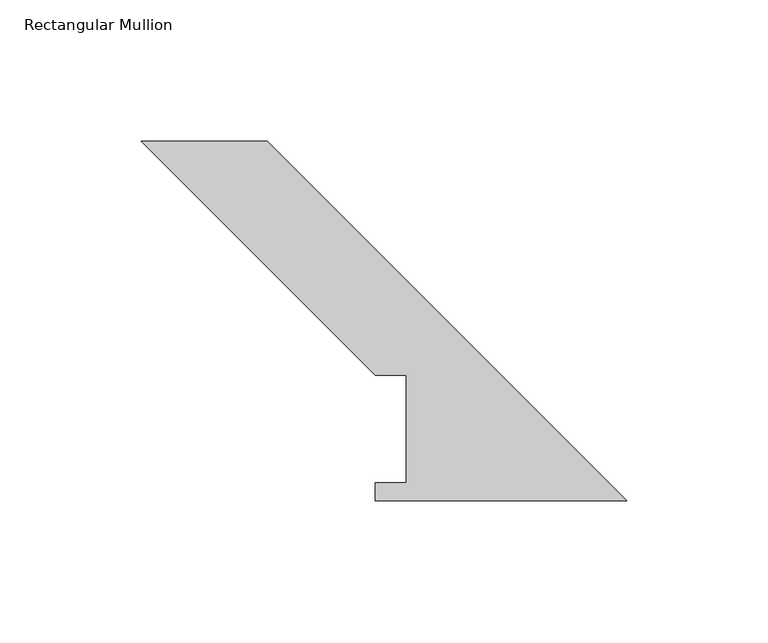
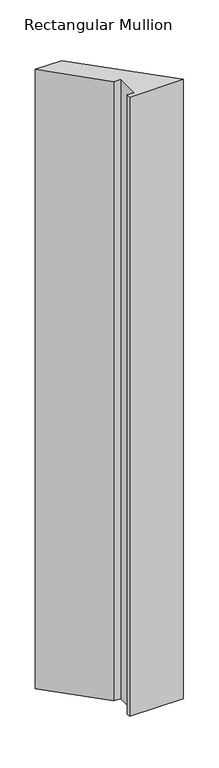
"""IFC4 building model written with IfcOpenShell, lengths in millimetres: member geometry, Rectangular Mullion."""

from ifc_helpers import new_model, si_unit, frame, origin, place, context, project, spatial, polyline, outline, extrude, source, transform, mapped, element, save


def rectangular_mullion_33a7ad3e(model_context):
    return source(origin(), model_context, "Body", "SweptSolid", [
        extrude(outline(polyline([(-171.45, 127.0), (-127.0, 127.0), (0.0, 0.0), (-88.9, 0.0), (-88.9, 6.35), (-77.7875, 6.35), (-77.7875, 44.45), (-88.9, 44.45), (-171.45, 127.0)])), frame((0.0, 0.0, -1079.5), z_axis=(0.0, 0.0, 1.0), x_axis=(1.0, 0.0, 0.0)), (0.0, 0.0, 1.0), 1079.5),
    ])


if __name__ == "__main__":
    model = new_model("IFC4")
    model_context = context("Model", 3, world=origin())
    ifc_project = project(units=[si_unit("LENGTHUNIT", "METRE", prefix="MILLI")], contexts=[model_context])
    site = spatial("IfcSite", under=ifc_project)
    building = spatial("IfcBuilding", under=site)
    placement = place(None, origin())
    rectangular_mullion_shape = rectangular_mullion_33a7ad3e(model_context)
    element("IfcMember", 1, ObjectType="Rectangular Mullion", at=placement, inside=building, context=model_context, shape_type="MappedRepresentation", body=[
        mapped(rectangular_mullion_shape, transform((0.0, 0.0, 0.0), x_axis=(1.0, 0.0, 0.0), y_axis=(0.0, 1.0, 0.0), z_axis=(0.0, 0.0, 1.0))),
    ])
    save(model, "model.ifc")
